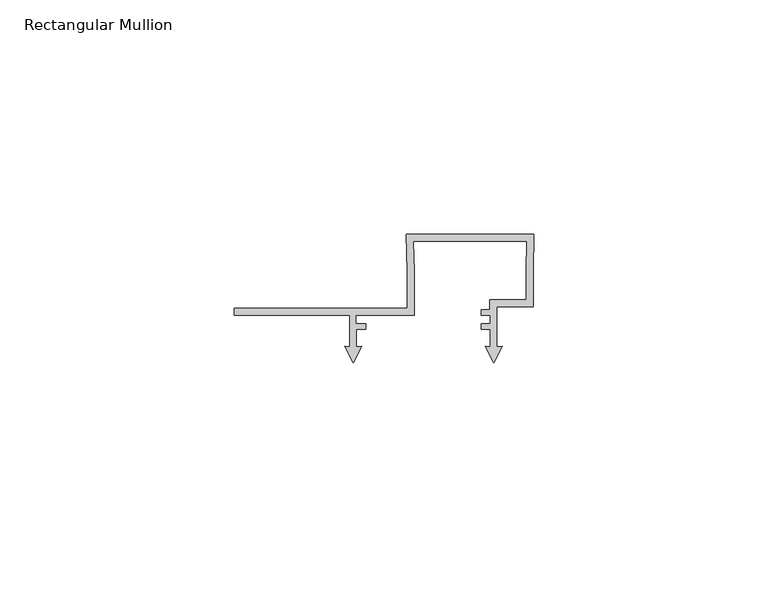
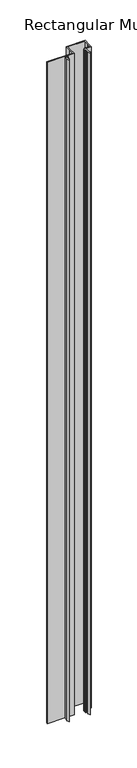
"""IFC4 building model written with IfcOpenShell, lengths in millimetres: member geometry, Rectangular Mullion."""

from ifc_helpers import new_model, si_unit, frame, origin, place, context, project, spatial, polyline, outline, extrude, source, transform, mapped, element, save


def rectangular_mullion_01f26db0(model_context):
    return source(origin(), model_context, "Body", "SweptSolid", [
        extrude(outline(polyline([(0.0, 52.1000001), (-0.1443272, 44.0977912), (-0.1443272, 36.5995654), (-7.9351461, 36.5995654), (-7.9351461, 28.0038205), (-6.8194096, 28.1014348), (-8.6351462, 24.5378474), (-10.4508827, 28.1014348), (-9.3351463, 28.0038206), (-9.3351463, 31.698351), (-11.3227094, 31.698351), (-11.3227094, 32.9004386), (-9.344327, 32.9004386), (-9.344327, 34.6999954), (-11.3232242, 34.6999954), (-11.3232242, 35.9015214), (-9.4446143, 35.9015214), (-9.4446143, 38.0997951), (-1.6351472, 38.0997951), (-1.6351135, 44.1153631), (-1.5181226, 50.5999998), (-25.7521689, 50.5999998), (-25.6351455, 44.1117002), (-25.6351455, 34.6999997), (-38.0351451, 34.6999997), (-38.0351451, 32.9008281), (-35.942882, 32.9008281), (-35.942882, 31.6999997), (-37.9351461, 31.6999997), (-37.9351461, 28.0038204), (-36.8194083, 28.1014348), (-38.635145, 24.5378474), (-40.4508816, 28.1014348), (-39.3351463, 28.0038207), (-39.3351463, 34.7056679), (-64.1, 34.7056679), (-64.1, 36.2004291), (-27.1353052, 36.2004291), (-27.1352165, 44.1039069), (-27.279476, 52.1000001), (0.0, 52.1000001)])), frame((0.0, 0.0, -1000.0), z_axis=(0.0, 0.0, 1.0), x_axis=(1.0, 0.0, 0.0)), (0.0, 0.0, 1.0), 1000.0),
    ])


if __name__ == "__main__":
    model = new_model("IFC4")
    model_context = context("Model", 3, world=origin())
    ifc_project = project(units=[si_unit("LENGTHUNIT", "METRE", prefix="MILLI")], contexts=[model_context])
    site = spatial("IfcSite", under=ifc_project)
    building = spatial("IfcBuilding", under=site)
    placement = place(None, origin())
    rectangular_mullion_shape = rectangular_mullion_01f26db0(model_context)
    element("IfcMember", 1, ObjectType="Rectangular Mullion", at=placement, inside=building, context=model_context, shape_type="MappedRepresentation", body=[
        mapped(rectangular_mullion_shape, transform((0.0, 0.0, 0.0), x_axis=(1.0, 0.0, 0.0), y_axis=(0.0, 1.0, 0.0), z_axis=(0.0, 0.0, 1.0))),
    ])
    save(model, "model.ifc")
